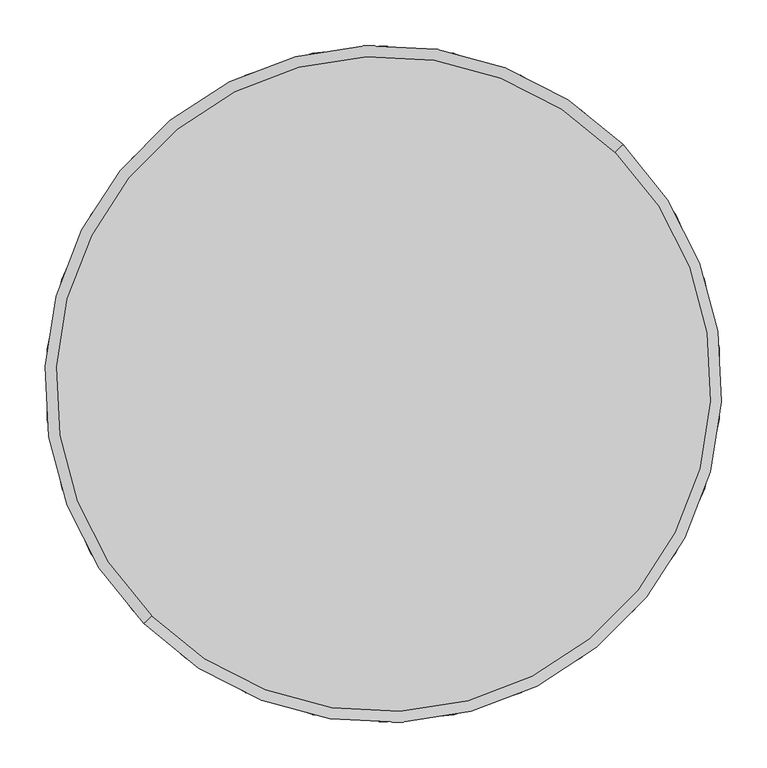
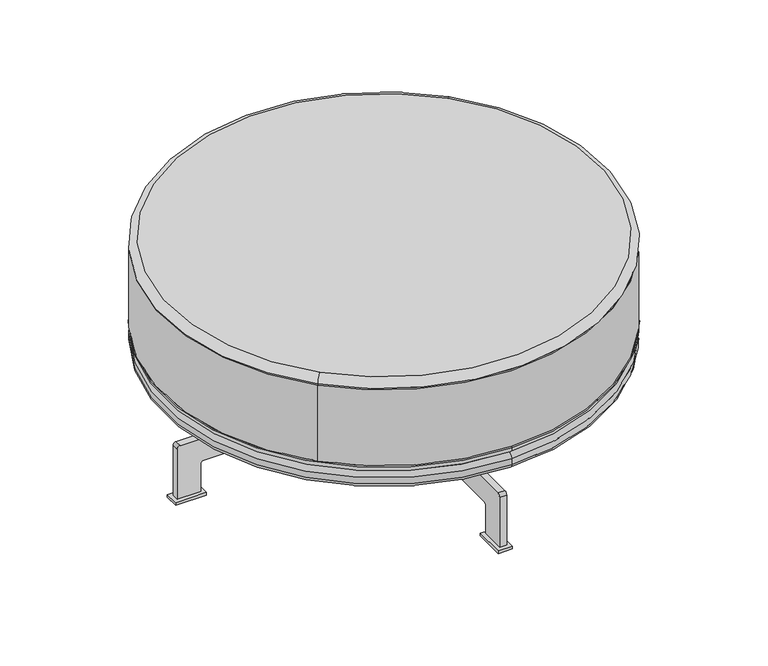
"""IFC4 building model written with IfcOpenShell, lengths in millimetres: furniture geometry."""

from ifc_helpers import new_model, si_unit, point, frame, frame_2d, origin, origin_with_axes, place, context, project, spatial, polyline, circle_curve, ellipse_curve, trimmed, segment, composite_curve, outline, extrude, source, transform, mapped, element, save
from ifc_brep_helpers import plane_surface, cylinder_surface, revolved_surface, advanced_brep


def furniture_abf4bb40(model_context):
    return source(origin(), model_context, "Body", "SolidModel", [
        extrude(outline(polyline([(-11.9999878, 314.0029857), (-11.9999878, 365.9944731), (11.9999878, 365.9944731), (11.9999878, 314.0029857), (-11.9999878, 314.0029857)])), origin_with_axes(), (0.0, 0.0, 1.0), 5.0),
        extrude(outline(polyline([(-11.9999878, -304.0029857), (11.9999878, -304.0029857), (11.9999878, -355.9944731), (-11.9999878, -355.9944731), (-11.9999878, -304.0029857)])), origin_with_axes(), (0.0, 0.0, 1.0), 5.0),
        extrude(outline(composite_curve([segment(trimmed(circle_curve(frame_2d((-345.0, 94.9874953)), 5.0), [point((-350.0, 94.9874953))], [point((-345.0, 99.9874953))], False, "CARTESIAN"), True, "CONTINUOUS"), segment(polyline([(-345.0, 99.9874953), (-204.9930419, 99.9874953)]), True, "CONTINUOUS"), segment(trimmed(circle_curve(frame_2d((-204.9930419, 104.9874953)), 5.0), [point((-204.9930419, 99.9874953))], [point((-199.9930419, 104.9874953))], True, "CARTESIAN"), True, "CONTINUOUS"), segment(polyline([(-199.9930419, 104.9874953), (-199.9930419, 158.854696), (209.9930419, 158.854696), (209.9930419, 104.9874953)]), True, "CONTINUOUS"), segment(trimmed(circle_curve(frame_2d((214.9930419, 104.9874953)), 5.0), [point((209.9930419, 104.9874953))], [point((214.9930419, 99.9874953))], True, "CARTESIAN"), True, "CONTINUOUS"), segment(polyline([(214.9930419, 99.9874953), (355.0, 99.9874953)]), True, "CONTINUOUS"), segment(trimmed(circle_curve(frame_2d((355.0, 94.9874953)), 5.0), [point((355.0, 99.9874953))], [point((360.0, 94.9874953))], False, "CARTESIAN"), True, "CONTINUOUS"), segment(polyline([(360.0, 94.9874953), (360.0, 5.0), (319.9974588, 5.0), (319.9974588, 54.9883827)]), True, "CONTINUOUS"), segment(trimmed(circle_curve(frame_2d((314.9974588, 54.9883827)), 5.0), [point((319.9974588, 54.9883827))], [point((314.9974588, 59.9883827))], True, "CARTESIAN"), True, "CONTINUOUS"), segment(polyline([(314.9974588, 59.9883827), (-304.9974588, 59.9883827)]), True, "CONTINUOUS"), segment(trimmed(circle_curve(frame_2d((-304.9974588, 54.9883827)), 5.0), [point((-304.9974588, 59.9883827))], [point((-309.9974588, 54.9883827))], True, "CARTESIAN"), True, "CONTINUOUS"), segment(polyline([(-309.9974588, 54.9883827), (-309.9974588, 5.0), (-350.0, 5.0), (-350.0, 94.9874953)]), True, "CONTINUOUS")], self_intersect=False)), frame((-6.0, 0.0, 0.0), z_axis=(1.0, 0.0, 0.0), x_axis=(0.0, 1.0, 0.0)), (0.0, 0.0, 1.0), 12.0),
        extrude(outline(polyline([(309.0029857, 11.9999878), (360.9944731, 11.9999878), (360.9944731, -11.9999878), (309.0029857, -11.9999878), (309.0029857, 11.9999878)])), origin_with_axes(), (0.0, 0.0, 1.0), 5.0),
        extrude(outline(polyline([(-309.0029857, 11.9999878), (-309.0029857, -11.9999878), (-360.9944731, -11.9999878), (-360.9944731, 11.9999878), (-309.0029857, 11.9999878)])), origin_with_axes(), (0.0, 0.0, 1.0), 5.0),
        extrude(outline(composite_curve([segment(polyline([(94.9874953, -355.0), (5.0, -355.0), (5.0, -314.9974588), (54.9883827, -314.9974588)]), True, "CONTINUOUS"), segment(trimmed(circle_curve(frame_2d((54.9883827, -309.9974588)), 5.0), [point((54.9883827, -314.9974588))], [point((59.9883827, -309.9974588))], True, "CARTESIAN"), True, "CONTINUOUS"), segment(polyline([(59.9883827, -309.9974588), (59.9883827, 309.9974588)]), True, "CONTINUOUS"), segment(trimmed(circle_curve(frame_2d((54.9883827, 309.9974588)), 5.0), [point((59.9883827, 309.9974588))], [point((54.9883827, 314.9974588))], True, "CARTESIAN"), True, "CONTINUOUS"), segment(polyline([(54.9883827, 314.9974588), (5.0, 314.9974588), (5.0, 355.0), (94.9874953, 355.0)]), True, "CONTINUOUS"), segment(trimmed(circle_curve(frame_2d((94.9874953, 350.0)), 5.0), [point((94.9874953, 355.0))], [point((99.9874953, 350.0))], False, "CARTESIAN"), True, "CONTINUOUS"), segment(polyline([(99.9874953, 350.0), (99.9874953, 209.9930419)]), True, "CONTINUOUS"), segment(trimmed(circle_curve(frame_2d((104.9874953, 209.9930419)), 5.0), [point((99.9874953, 209.9930419))], [point((104.9874953, 204.9930419))], True, "CARTESIAN"), True, "CONTINUOUS"), segment(polyline([(104.9874953, 204.9930419), (158.854696, 204.9930419), (158.854696, -204.9930419), (104.9874953, -204.9930419)]), True, "CONTINUOUS"), segment(trimmed(circle_curve(frame_2d((104.9874953, -209.9930419)), 5.0), [point((104.9874953, -204.9930419))], [point((99.9874953, -209.9930419))], True, "CARTESIAN"), True, "CONTINUOUS"), segment(polyline([(99.9874953, -209.9930419), (99.9874953, -350.0)]), True, "CONTINUOUS"), segment(trimmed(circle_curve(frame_2d((94.9874953, -350.0)), 5.0), [point((99.9874953, -350.0))], [point((94.9874953, -355.0))], False, "CARTESIAN"), True, "CONTINUOUS")], self_intersect=False)), frame((0.0, -6.0, 0.0), z_axis=(0.0, 1.0, 0.0), x_axis=(0.0, 0.0, 1.0)), (0.0, 0.0, 1.0), 12.0),
        advanced_brep(
        [(-0.4900561, 368.0774393, 185.0), (0.3149029, -366.9221199, 185.0), (0.3149029, -366.9221199, 158.8040803), (-0.4900561, 368.0774393, 158.8040803), (0.3231167, -374.4221154, 166.3040803), (-0.49827, 375.5774348, 166.3040803), (0.3231167, -374.4221154, 177.5), (-0.49827, 375.5774348, 177.5)],
        [
            (0, 1, circle_curve(frame((-0.0875766, 0.5776597, 185.0), z_axis=(0.0, 0.0, 1.0), x_axis=(-0.0010951822946194123, 0.9999994002876911, 0.0)), 367.5)),
            (1, 0, circle_curve(frame((-0.0875766, 0.5776597, 185.0), z_axis=(0.0, 0.0, 1.0), x_axis=(0.0010951822946226434, -0.9999994002876911, 0.0)), 367.5)),
            (2, 3, circle_curve(frame((-0.0875766, 0.5776597, 158.8040803), z_axis=(0.0, 0.0, -1.0), x_axis=(-0.0010951822946194123, 0.9999994002876911, 0.0)), 367.5)),
            (3, 2, circle_curve(frame((-0.0875766, 0.5776597, 158.8040803), z_axis=(0.0, 0.0, -1.0), x_axis=(0.0010951822946226434, -0.9999994002876911, 0.0)), 367.5)),
            (4, 5, circle_curve(frame((-0.0875766, 0.5776597, 166.3040803), z_axis=(0.0, 0.0, -1.0), x_axis=(-0.0010951822946194123, 0.9999994002876911, 0.0)), 375.0)),
            (5, 3, circle_curve(frame((-0.4900561, 368.0774393, 166.3040803), z_axis=(-0.9999994002876913, -0.0010951822946194123, 0.0), x_axis=(0.001095182294619412, -0.9999994002876911, 0.0)), 7.5)),
            (2, 4, circle_curve(frame((0.3149029, -366.9221199, 166.3040803), z_axis=(-0.9999994002876913, -0.0010951822946161812, 0.0), x_axis=(-0.001095182294616181, 0.9999994002876911, 0.0)), 7.5)),
            (4, 6),
            (6, 7, circle_curve(frame((-0.0875766, 0.5776597, 177.5), z_axis=(0.0, 0.0, -1.0), x_axis=(-0.0010951822946194123, 0.9999994002876911, 0.0)), 375.0)),
            (7, 5),
            (6, 1, circle_curve(frame((0.3149029, -366.9221199, 177.5), z_axis=(-0.9999994002876913, -0.0010951822946161812, 0.0), x_axis=(-0.001095182294616181, 0.9999994002876911, 0.0)), 7.5)),
            (0, 7, circle_curve(frame((-0.4900561, 368.0774393, 177.5), z_axis=(-0.9999994002876913, -0.0010951822946194123, 0.0), x_axis=(0.001095182294619412, -0.9999994002876911, 0.0)), 7.5)),
            (5, 4, circle_curve(frame((-0.0875766, 0.5776597, 166.3040803), z_axis=(0.0, 0.0, -1.0), x_axis=(0.0010951822946226434, -0.9999994002876911, 0.0)), 375.0)),
            (7, 6, circle_curve(frame((-0.0875766, 0.5776597, 177.5), z_axis=(0.0, 0.0, -1.0), x_axis=(0.0010951822946226434, -0.9999994002876911, 0.0)), 375.0)),
        ],
        [
            plane_surface(frame((-0.4818422, 360.5774438, 185.0), z_axis=(0.0, 0.0, 1.0), x_axis=(-0.999999400287691, -0.001095182294619412, 0.0))),
            plane_surface(frame((-0.4818422, 360.5774438, 158.8040803), z_axis=(0.0, 0.0, -1.0), x_axis=(0.999999400287691, 0.001095182294619412, 0.0))),
            revolved_surface(trimmed(ellipse_curve(frame((-0.4900561, 368.0774393, 166.3040803), z_axis=(0.9999994002876913, 0.0010951822946194123, 0.0), x_axis=(0.001095182294619412, -0.9999994002876911, 0.0)), 7.5, 7.5), [point((-0.4900561, 368.0774393, 158.8040803))], [point((-0.49827, 375.5774348, 166.3040803))], True, "CARTESIAN"), (-0.0875766, 0.5776597, 158.8040803), (0.0, 0.0, 1.0000000000000002)),
            cylinder_surface(frame((-0.0875766, 0.5776597, 158.8040803), z_axis=(0.0, 0.0, 1.0000000000000002), x_axis=(-0.0010951822946194123, 0.9999994002876911, 0.0)), 375.0),
            revolved_surface(trimmed(ellipse_curve(frame((-0.4900561, 368.0774393, 177.5), z_axis=(0.9999994002876913, 0.0010951822946194123, 0.0), x_axis=(0.001095182294619412, -0.9999994002876911, 0.0)), 7.5, 7.5), [point((-0.49827, 375.5774348, 177.5))], [point((-0.4900561, 368.0774393, 185.0))], True, "CARTESIAN"), (-0.0875766, 0.5776597, 158.8040803), (0.0, 0.0, 1.0000000000000002)),
            revolved_surface(trimmed(ellipse_curve(frame((0.3149029, -366.9221199, 166.3040803), z_axis=(-0.9999994002876913, -0.0010951822946226434, 0.0), x_axis=(-0.0010951822946226432, 0.9999994002876911, 0.0)), 7.5, 7.5), [point((0.3149029, -366.9221199, 158.8040803))], [point((0.3231167, -374.4221154, 166.3040803))], True, "CARTESIAN"), (-0.0875766, 0.5776597, 158.8040803), (0.0, 0.0, 1.0000000000000002)),
            cylinder_surface(frame((-0.0875766, 0.5776597, 158.8040803), z_axis=(0.0, 0.0, 1.0000000000000002), x_axis=(0.0010951822946226434, -0.9999994002876911, 0.0)), 375.0),
            revolved_surface(trimmed(ellipse_curve(frame((0.3149029, -366.9221199, 177.5), z_axis=(-0.9999994002876913, -0.0010951822946226434, 0.0), x_axis=(-0.0010951822946226432, 0.9999994002876911, 0.0)), 7.5, 7.5), [point((0.3231167, -374.4221154, 177.5))], [point((0.3149029, -366.9221199, 185.0))], True, "CARTESIAN"), (-0.0875766, 0.5776597, 158.8040803), (0.0, 0.0, 1.0000000000000002)),
        ],
        [
            (0, [[1, 2]]),
            (1, [[3, 4]]),
            (2, [[5, 6, -3, 7]]),
            (3, [[-5, 8, 9, 10]]),
            (4, [[-9, 11, -1, 12]]),
            (5, [[-6, 13, -7, -4]]),
            (6, [[-10, 14, -8, -13]]),
            (7, [[-12, -2, -11, -14]]),
        ],
    ),
        advanced_brep(
        [(-0.4994178, 376.6254783, 197.3364528), (0.3242645, -375.4701588, 197.3364528), (0.3242645, -375.4701588, 199.9545565), (-266.1325838, -265.1895046, 199.9545565), (-0.4994178, 376.6254783, 199.9545565), (-0.4859071, 364.2890329, 185.0), (0.3107539, -363.1337135, 185.0), (265.9574305, 266.344824, 199.9545565), (-266.1325838, -265.1895046, 336.2041477), (265.9574305, 266.344824, 336.2041477), (265.9574305, 266.344824, 338.8222514), (-266.1325838, -265.1895046, 338.8222514), (-257.4048381, -256.4708738, 351.1587042), (257.2296849, 257.6261932, 351.1587042)],
        [
            (0, 1, circle_curve(frame((-0.0875766, 0.5776597, 197.3364528), z_axis=(0.0, 0.0, 1.0), x_axis=(0.0010951822946161812, -0.9999994002876911, 0.0)), 376.0480441)),
            (1, 2),
            (2, 3, circle_curve(frame((-0.0875766, 0.5776597, 199.9545565), z_axis=(0.0, 0.0, -1.0), x_axis=(0.0010951822946161812, -0.9999994002876911, 0.0)), 376.0480441)),
            (3, 4, circle_curve(frame((-0.0875766, 0.5776597, 199.9545565), z_axis=(0.0, 0.0, -1.0), x_axis=(0.0010951822946161812, -0.9999994002876911, 0.0)), 376.0480441)),
            (4, 0),
            (0, 5, circle_curve(frame((-0.4859071, 364.2890329, 197.3364528), z_axis=(-0.9999994002876913, -0.0010951822946198564, 0.0), x_axis=(0.0010951822946198562, -0.9999994002876911, 0.0)), 12.3364528)),
            (5, 6, circle_curve(frame((-0.0875766, 0.5776597, 185.0), z_axis=(0.0, 0.0, 1.0), x_axis=(0.0010951822946161812, -0.9999994002876911, 0.0)), 363.7115913)),
            (6, 1, circle_curve(frame((0.3107539, -363.1337135, 197.3364528), z_axis=(-0.9999994002876913, -0.0010951822946161812, 0.0), x_axis=(-0.001095182294616181, 0.9999994002876911, 0.0)), 12.3364528)),
            (1, 0, circle_curve(frame((-0.0875766, 0.5776597, 197.3364528), z_axis=(0.0, 0.0, 1.0), x_axis=(-0.001095182294613195, 0.9999994002876911, 0.0)), 376.0480441)),
            (4, 7, circle_curve(frame((-0.0875766, 0.5776597, 199.9545565), z_axis=(0.0, 0.0, -1.0), x_axis=(-0.001095182294613195, 0.9999994002876911, 0.0)), 376.0480441)),
            (7, 2, circle_curve(frame((-0.0875766, 0.5776597, 199.9545565), z_axis=(0.0, 0.0, -1.0), x_axis=(-0.001095182294613195, 0.9999994002876911, 0.0)), 376.0480441)),
            (6, 5, circle_curve(frame((-0.0875766, 0.5776597, 185.0), z_axis=(0.0, 0.0, 1.0), x_axis=(-0.001095182294613195, 0.9999994002876911, 0.0)), 363.7115913)),
            (8, 3),
            (7, 9),
            (9, 8, circle_curve(frame((-0.0875766, 0.5776597, 336.2041477), z_axis=(0.0, 0.0, -1.0), x_axis=(0.7074761093226809, 0.7067372600462227, 0.0)), 376.0480441)),
            (8, 9, circle_curve(frame((-0.0875766, 0.5776597, 336.2041477), z_axis=(0.0, 0.0, -1.0), x_axis=(-0.7074761093226788, -0.7067372600462248, 0.0)), 376.0480441)),
            (10, 11, circle_curve(frame((-0.0875766, 0.5776597, 338.8222514), z_axis=(0.0, 0.0, 1.0), x_axis=(-0.7074761093226788, -0.7067372600462248, 0.0)), 376.0480441)),
            (11, 12, circle_curve(frame((-257.4048381, -256.4708738, 338.8222514), z_axis=(-0.7067372600462251, 0.7074761093226788, 0.0), x_axis=(0.7074761093226787, 0.706737260046225, 0.0)), 12.3364528)),
            (12, 13, circle_curve(frame((-0.0875766, 0.5776597, 351.1587042), z_axis=(0.0, 0.0, -1.0), x_axis=(-0.7074761093226788, -0.7067372600462248, 0.0)), 363.7115913)),
            (13, 10, circle_curve(frame((257.2296849, 257.6261932, 338.8222514), z_axis=(-0.7067372600462274, 0.7074761093226765, 0.0), x_axis=(-0.7074761093226763, -0.7067372600462273, 0.0)), 12.3364528)),
            (10, 9),
            (8, 11),
            (12, 13, circle_curve(frame((-0.0875766, 0.5776597, 351.1587042), z_axis=(0.0, 0.0, 1.0), x_axis=(0.7074761093226809, 0.7067372600462227, 0.0)), 363.7115913)),
            (11, 10, circle_curve(frame((-0.0875766, 0.5776597, 338.8222514), z_axis=(0.0, 0.0, 1.0), x_axis=(0.7074761093226809, 0.7067372600462227, 0.0)), 376.0480441)),
        ],
        [
            cylinder_surface(frame((-0.0875766, 0.5776597, 185.0), z_axis=(0.0, 0.0, -1.0000000000000002), x_axis=(0.0010951822946161812, -0.9999994002876911, 0.0)), 376.0480441),
            revolved_surface(trimmed(ellipse_curve(frame((0.3107539, -363.1337135, 197.3364528), z_axis=(0.9999994002876913, 0.0010951822946161812, 0.0), x_axis=(-0.001095182294616181, 0.9999994002876911, 0.0)), 12.3364528, 12.3364528), [point((0.3242645, -375.4701588, 197.3364528))], [point((0.3107539, -363.1337135, 185.0))], True, "CARTESIAN"), (-0.0875766, 0.5776597, 185.0), (0.0, 0.0, -1.0000000000000002)),
            cylinder_surface(frame((-0.0875766, 0.5776597, 185.0), z_axis=(0.0, 0.0, -1.0000000000000002), x_axis=(-0.001095182294613195, 0.9999994002876911, 0.0)), 376.0480441),
            revolved_surface(trimmed(ellipse_curve(frame((-0.4859071, 364.2890329, 197.3364528), z_axis=(-0.9999994002876913, -0.001095182294613195, 0.0), x_axis=(0.0010951822946131948, -0.9999994002876911, 0.0)), 12.3364528, 12.3364528), [point((-0.4994178, 376.6254783, 197.3364528))], [point((-0.4859071, 364.2890329, 185.0))], True, "CARTESIAN"), (-0.0875766, 0.5776597, 185.0), (0.0, 0.0, -1.0000000000000002)),
            plane_surface(frame((-0.0875766, 0.5776597, 185.0), z_axis=(0.0, 0.0, -1.0000000000000002), x_axis=(-0.001095182294613195, 0.9999994002876911, 0.0))),
            cylinder_surface(frame((-0.0875766, 0.5776597, 199.9545565), z_axis=(0.0, 0.0, 1.0000000000000002), x_axis=(0.7074761093226809, 0.7067372600462227, 0.0)), 376.0480441),
            cylinder_surface(frame((-0.0875766, 0.5776597, 199.9545565), z_axis=(0.0, 0.0, 1.0000000000000002), x_axis=(-0.7074761093226788, -0.7067372600462248, 0.0)), 376.0480441),
            revolved_surface(trimmed(ellipse_curve(frame((-257.4048381, -256.4708738, 338.8222514), z_axis=(0.7067372600462251, -0.7074761093226788, 0.0), x_axis=(0.7074761093226787, 0.706737260046225, 0.0)), 12.3364528, 12.3364528), [point((-257.4048381, -256.4708738, 351.1587042))], [point((-266.1325838, -265.1895046, 338.8222514))], True, "CARTESIAN"), (-0.0875766, 0.5776597, 351.1587042), (0.0, 0.0, -1.0000000000000002)),
            cylinder_surface(frame((-0.0875766, 0.5776597, 351.1587042), z_axis=(0.0, 0.0, -1.0000000000000002), x_axis=(-0.7074761093226788, -0.7067372600462248, 0.0)), 376.0480441),
            plane_surface(frame((-0.0875766, 0.5776597, 351.1587042), z_axis=(0.0, 0.0, 1.0000000000000002), x_axis=(0.7074761093226809, 0.7067372600462227, 0.0))),
            revolved_surface(trimmed(ellipse_curve(frame((257.2296849, 257.6261932, 338.8222514), z_axis=(-0.706737260046223, 0.7074761093226809, 0.0), x_axis=(-0.7074761093226808, -0.7067372600462228, 0.0)), 12.3364528, 12.3364528), [point((257.2296849, 257.6261932, 351.1587042))], [point((265.9574305, 266.344824, 338.8222514))], True, "CARTESIAN"), (-0.0875766, 0.5776597, 351.1587042), (0.0, 0.0, -1.0000000000000002)),
            cylinder_surface(frame((-0.0875766, 0.5776597, 351.1587042), z_axis=(0.0, 0.0, -1.0000000000000002), x_axis=(0.7074761093226809, 0.7067372600462227, 0.0)), 376.0480441),
        ],
        [
            (0, [[1, 2, 3, 4, 5]]),
            (1, [[-1, 6, 7, 8]]),
            (2, [[-2, 9, -5, 10, 11]]),
            (3, [[-8, 12, -6, -9]]),
            (4, [[-7, -12]]),
            (5, [[13, -3, -11, 14, 15]]),
            (6, [[-13, 16, -14, -10, -4]]),
            (7, [[17, 18, 19, 20]]),
            (8, [[-17, 21, -16, 22]]),
            (9, [[-19, 23]]),
            (10, [[-18, 24, -20, -23]]),
            (11, [[-22, -15, -21, -24]]),
        ],
    ),
    ])


if __name__ == "__main__":
    model = new_model("IFC4")
    model_context = context("Model", 3, world=origin())
    ifc_project = project(units=[si_unit("LENGTHUNIT", "METRE", prefix="MILLI")], contexts=[model_context])
    site = spatial("IfcSite", under=ifc_project)
    building = spatial("IfcBuilding", under=site)
    placement = place(None, origin())
    furniture_shape = furniture_abf4bb40(model_context)
    element("IfcFurniture", 1, at=placement, inside=building, context=model_context, shape_type="MappedRepresentation", body=[
        mapped(furniture_shape, transform((0.0, 0.0, 0.0), x_axis=(1.0, 0.0, 0.0), y_axis=(0.0, 1.0, 0.0), z_axis=(0.0, 0.0, 1.0))),
    ])
    save(model, "model.ifc")
